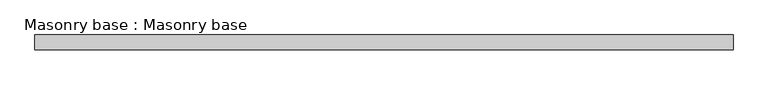
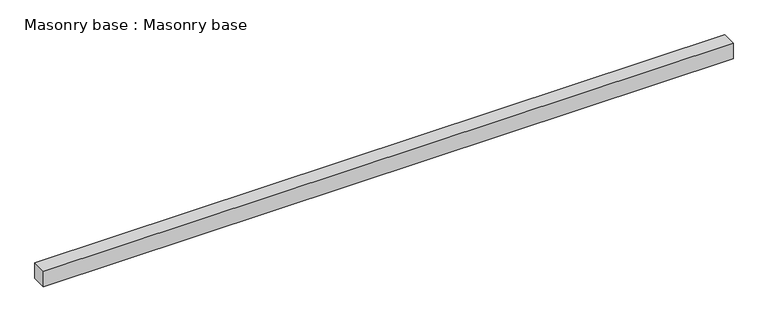
"""IFC4 building model written with IfcOpenShell, lengths in millimetres: proxy geometry, Masonry base : Masonry base."""

from ifc_helpers import new_model, si_unit, origin, origin_with_axes, place, context, project, spatial, polyline, outline, extrude, source, transform, mapped, element, save


def masonry_base_masonry_base_8043eaa6(model_context):
    return source(origin(), model_context, "Body", "SweptSolid", [
        extrude(outline(polyline([(2927.8137407, 7186.1949136), (2927.8137407, 6866.1949136), (-12219.9085935, 6866.1949136), (-12219.9085935, 7186.1949136), (2927.8137407, 7186.1949136)])), origin_with_axes(), (0.0, 0.0, 1.0), 359.0),
    ])


if __name__ == "__main__":
    model = new_model("IFC4")
    model_context = context("Model", 3, world=origin())
    ifc_project = project(units=[si_unit("LENGTHUNIT", "METRE", prefix="MILLI")], contexts=[model_context])
    site = spatial("IfcSite", under=ifc_project)
    building = spatial("IfcBuilding", under=site)
    placement = place(None, origin())
    masonry_base_masonry_base_shape = masonry_base_masonry_base_8043eaa6(model_context)
    element("IfcBuildingElementProxy", 1, Name="Masonry base : Masonry base", ObjectType="Masonry base : Masonry base", at=placement, inside=building, context=model_context, shape_type="MappedRepresentation", body=[
        mapped(masonry_base_masonry_base_shape, transform((0.0, 0.0, 0.0), x_axis=(1.0, 0.0, 0.0), y_axis=(0.0, 1.0, 0.0), z_axis=(0.0, 0.0, 1.0))),
    ])
    save(model, "model.ifc")
